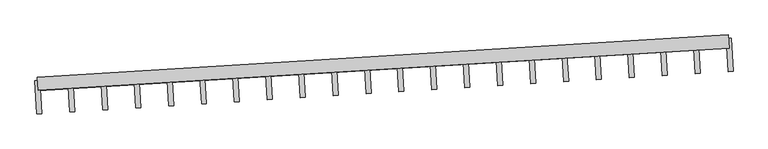
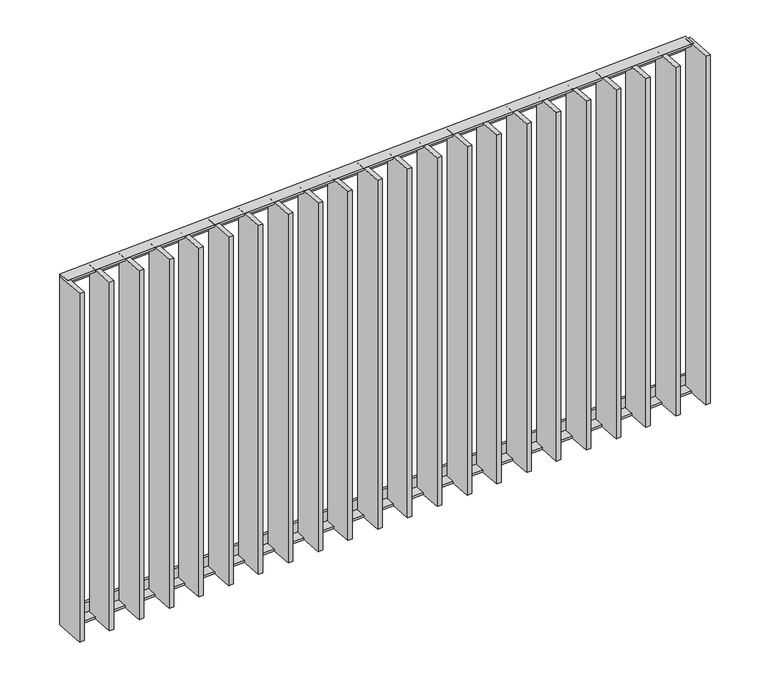
"""IFC4 building model written with IfcOpenShell, lengths in millimetres: railing geometry."""

from ifc_helpers import new_model, si_unit, frame, origin, place, context, project, spatial, polyline, outline, extrude, source, transform, mapped, element, save


def railing_bec26cc6(model_context):
    return source(origin(), model_context, "Body", "SweptSolid", [
        extrude(outline(polyline([(-14.0, 6.0), (19.9999999, 6.0), (19.9999999, 0.0), (-20.0, 0.0), (-20.0, 40.0), (-14.0, 40.0), (-14.0, 6.0)])), frame((65392.5727673, 29449.886616, 8000.0), z_axis=(0.9981347984221725, 0.06104853952986331, 0.0), x_axis=(0.06104853952986331, -0.9981347984221725, 0.0)), (0.0, 0.0, 1.0), 2080.0),
        extrude(outline(polyline([(-14.0, -6.0), (-14.0, -40.0), (-20.0, -40.0), (-20.0, 0.0), (19.9999999, 0.0), (19.9999999, -6.0), (-14.0, -6.0)])), frame((65392.5727673, 29449.886616, 6820.0), z_axis=(0.9981347984221725, 0.06104853952986331, 0.0), x_axis=(0.06104853952986331, -0.9981347984221725, 0.0)), (0.0, 0.0, 1.0), 2080.0),
        extrude(outline(polyline([(65498.3111682, 29466.3725406), (65504.4160221, 29366.5590607), (65489.4440001, 29365.6433326), (65483.3391462, 29465.4568125), (65498.3111682, 29466.3725406)])), frame((0.0, 0.0, 6819.9), z_axis=(0.0, 0.0, 1.0), x_axis=(1.0, 0.0, 0.0)), (0.0, 0.0, 1.0), 1180.2),
        extrude(outline(polyline([(65597.1740434, 29472.419253), (65603.2788974, 29372.6057732), (65588.3068754, 29371.6900451), (65582.2020215, 29471.503525), (65597.1740434, 29472.419253)])), frame((0.0, 0.0, 6819.9), z_axis=(0.0, 0.0, 1.0), x_axis=(1.0, 0.0, 0.0)), (0.0, 0.0, 1.0), 1180.2),
        extrude(outline(polyline([(65696.0369187, 29478.4659655), (65702.1417727, 29378.6524857), (65687.1697507, 29377.7367576), (65681.0648967, 29477.5502374), (65696.0369187, 29478.4659655)])), frame((0.0, 0.0, 6819.9), z_axis=(0.0, 0.0, 1.0), x_axis=(1.0, 0.0, 0.0)), (0.0, 0.0, 1.0), 1180.2),
        extrude(outline(polyline([(65794.899794, 29484.512678), (65801.0046479, 29384.6991982), (65786.0326259, 29383.7834701), (65779.927772, 29483.5969499), (65794.899794, 29484.512678)])), frame((0.0, 0.0, 6819.9), z_axis=(0.0, 0.0, 1.0), x_axis=(1.0, 0.0, 0.0)), (0.0, 0.0, 1.0), 1180.2),
        extrude(outline(polyline([(65893.7626692, 29490.5593905), (65899.8675232, 29390.7459107), (65884.8955012, 29389.8301826), (65878.7906473, 29489.6436624), (65893.7626692, 29490.5593905)])), frame((0.0, 0.0, 6819.9), z_axis=(0.0, 0.0, 1.0), x_axis=(1.0, 0.0, 0.0)), (0.0, 0.0, 1.0), 1180.2),
        extrude(outline(polyline([(65992.6255445, 29496.606103), (65998.7303985, 29396.7926232), (65983.7583765, 29395.8768951), (65977.6535225, 29495.6903749), (65992.6255445, 29496.606103)])), frame((0.0, 0.0, 6819.9), z_axis=(0.0, 0.0, 1.0), x_axis=(1.0, 0.0, 0.0)), (0.0, 0.0, 1.0), 1180.2),
        extrude(outline(polyline([(66091.4884198, 29502.6528155), (66097.5932737, 29402.8393356), (66082.6212518, 29401.9236075), (66076.5163978, 29501.7370874), (66091.4884198, 29502.6528155)])), frame((0.0, 0.0, 6819.9), z_axis=(0.0, 0.0, 1.0), x_axis=(1.0, 0.0, 0.0)), (0.0, 0.0, 1.0), 1180.2),
        extrude(outline(polyline([(66190.3512951, 29508.699528), (66196.456149, 29408.8860481), (66181.484127, 29407.97032), (66175.3792731, 29507.7837999), (66190.3512951, 29508.699528)])), frame((0.0, 0.0, 6819.9), z_axis=(0.0, 0.0, 1.0), x_axis=(1.0, 0.0, 0.0)), (0.0, 0.0, 1.0), 1180.2),
        extrude(outline(polyline([(66289.2141703, 29514.7462405), (66295.3190243, 29414.9327606), (66280.3470023, 29414.0170325), (66274.2421484, 29513.8305124), (66289.2141703, 29514.7462405)])), frame((0.0, 0.0, 6819.9), z_axis=(0.0, 0.0, 1.0), x_axis=(1.0, 0.0, 0.0)), (0.0, 0.0, 1.0), 1180.2),
        extrude(outline(polyline([(66388.0770456, 29520.7929529), (66394.1818996, 29420.9794731), (66379.2098776, 29420.063745), (66373.1050236, 29519.8772248), (66388.0770456, 29520.7929529)])), frame((0.0, 0.0, 6819.9), z_axis=(0.0, 0.0, 1.0), x_axis=(1.0, 0.0, 0.0)), (0.0, 0.0, 1.0), 1180.2),
        extrude(outline(polyline([(66486.9399209, 29526.8396654), (66493.0447748, 29427.0261856), (66478.0727529, 29426.1104575), (66471.9678989, 29525.9239373), (66486.9399209, 29526.8396654)])), frame((0.0, 0.0, 6819.9), z_axis=(0.0, 0.0, 1.0), x_axis=(1.0, 0.0, 0.0)), (0.0, 0.0, 1.0), 1180.2),
        extrude(outline(polyline([(66585.8027962, 29532.8863779), (66591.9076501, 29433.0728981), (66576.9356281, 29432.15717), (66570.8307742, 29531.9706498), (66585.8027962, 29532.8863779)])), frame((0.0, 0.0, 6819.9), z_axis=(0.0, 0.0, 1.0), x_axis=(1.0, 0.0, 0.0)), (0.0, 0.0, 1.0), 1180.2),
        extrude(outline(polyline([(66684.6656714, 29538.9330904), (66690.7705254, 29439.1196106), (66675.7985034, 29438.2038825), (66669.6936494, 29538.0173623), (66684.6656714, 29538.9330904)])), frame((0.0, 0.0, 6819.9), z_axis=(0.0, 0.0, 1.0), x_axis=(1.0, 0.0, 0.0)), (0.0, 0.0, 1.0), 1180.2),
        extrude(outline(polyline([(66783.5285467, 29544.9798029), (66789.6334006, 29445.166323), (66774.6613787, 29444.250595), (66768.5565247, 29544.0640748), (66783.5285467, 29544.9798029)])), frame((0.0, 0.0, 6819.9), z_axis=(0.0, 0.0, 1.0), x_axis=(1.0, 0.0, 0.0)), (0.0, 0.0, 1.0), 1180.2),
        extrude(outline(polyline([(66882.391422, 29551.0265154), (66888.4962759, 29451.2130355), (66873.5242539, 29450.2973074), (66867.4194, 29550.1107873), (66882.391422, 29551.0265154)])), frame((0.0, 0.0, 6819.9), z_axis=(0.0, 0.0, 1.0), x_axis=(1.0, 0.0, 0.0)), (0.0, 0.0, 1.0), 1180.2),
        extrude(outline(polyline([(66981.2542972, 29557.0732279), (66987.3591512, 29457.259748), (66972.3871292, 29456.3440199), (66966.2822753, 29556.1574998), (66981.2542972, 29557.0732279)])), frame((0.0, 0.0, 6819.9), z_axis=(0.0, 0.0, 1.0), x_axis=(1.0, 0.0, 0.0)), (0.0, 0.0, 1.0), 1180.2),
        extrude(outline(polyline([(67080.1171725, 29563.1199403), (67086.2220265, 29463.3064605), (67071.2500045, 29462.3907324), (67065.1451505, 29562.2042123), (67080.1171725, 29563.1199403)])), frame((0.0, 0.0, 6819.9), z_axis=(0.0, 0.0, 1.0), x_axis=(1.0, 0.0, 0.0)), (0.0, 0.0, 1.0), 1180.2),
        extrude(outline(polyline([(67178.9800478, 29569.1666528), (67185.0849017, 29469.353173), (67170.1128798, 29468.4374449), (67164.0080258, 29568.2509247), (67178.9800478, 29569.1666528)])), frame((0.0, 0.0, 6819.9), z_axis=(0.0, 0.0, 1.0), x_axis=(1.0, 0.0, 0.0)), (0.0, 0.0, 1.0), 1180.2),
        extrude(outline(polyline([(67277.8429231, 29575.2133653), (67283.947777, 29475.3998855), (67268.975755, 29474.4841574), (67262.8709011, 29574.2976372), (67277.8429231, 29575.2133653)])), frame((0.0, 0.0, 6819.9), z_axis=(0.0, 0.0, 1.0), x_axis=(1.0, 0.0, 0.0)), (0.0, 0.0, 1.0), 1180.2),
        extrude(outline(polyline([(67376.7057983, 29581.2600778), (67382.8106523, 29481.446598), (67367.8386303, 29480.5308699), (67361.7337764, 29580.3443497), (67376.7057983, 29581.2600778)])), frame((0.0, 0.0, 6819.9), z_axis=(0.0, 0.0, 1.0), x_axis=(1.0, 0.0, 0.0)), (0.0, 0.0, 1.0), 1180.2),
        extrude(outline(polyline([(65399.4482929, 29460.3258281), (65405.5531468, 29360.5123482), (65390.5811249, 29359.5966201), (65384.4762709, 29459.4101), (65399.4482929, 29460.3258281)])), frame((0.0, 0.0, 6819.9), z_axis=(0.0, 0.0, 1.0), x_axis=(1.0, 0.0, 0.0)), (0.0, 0.0, 1.0), 1180.2),
        extrude(outline(polyline([(67475.5686736, 29587.3067903), (67481.6735276, 29487.4933105), (67466.7015056, 29486.5775824), (67460.5966516, 29586.3910622), (67475.5686736, 29587.3067903)])), frame((0.0, 0.0, 6819.9), z_axis=(0.0, 0.0, 1.0), x_axis=(1.0, 0.0, 0.0)), (0.0, 0.0, 1.0), 1180.2),
    ])


if __name__ == "__main__":
    model = new_model("IFC4")
    model_context = context("Model", 3, world=origin())
    ifc_project = project(units=[si_unit("LENGTHUNIT", "METRE", prefix="MILLI")], contexts=[model_context])
    site = spatial("IfcSite", under=ifc_project)
    building = spatial("IfcBuilding", under=site)
    placement = place(None, origin())
    railing_shape = railing_bec26cc6(model_context)
    element("IfcRailing", 1, at=placement, inside=building, context=model_context, shape_type="MappedRepresentation", body=[
        mapped(railing_shape, transform((0.0, 0.0, 0.0), x_axis=(1.0, 0.0, 0.0), y_axis=(0.0, 1.0, 0.0), z_axis=(0.0, 0.0, 1.0))),
    ])
    save(model, "model.ifc")
